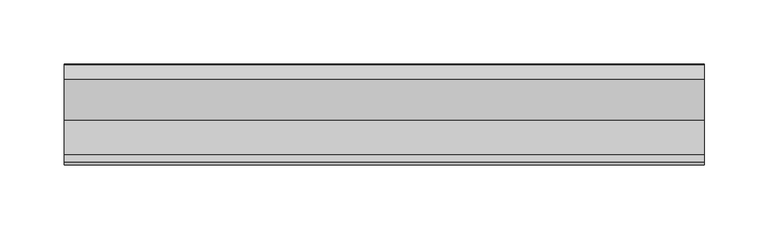
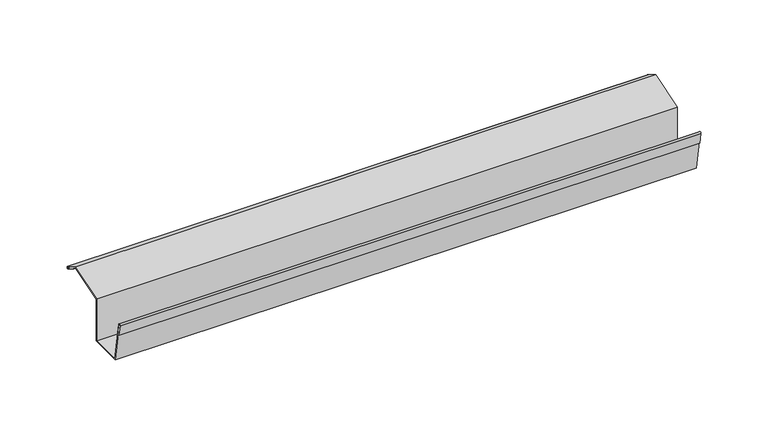
"""IFC4 building model written with IfcOpenShell, lengths in millimetres: proxy geometry."""

from ifc_helpers import new_model, si_unit, point, frame, frame_2d, origin, place, context, project, spatial, polyline, circle_curve, trimmed, segment, composite_curve, outline, extrude, source, transform, mapped, element, save


def generic_models_3b89c000(model_context):
    return source(origin(), model_context, "Body", "SweptSolid", [
        extrude(outline(composite_curve([segment(polyline([(-77.1946836, 35.8400258), (-71.0162032, 0.8001226), (-43.9357531, 0.8001226), (-43.9357531, 38.6709803), (-11.8596013, 48.3982435), (-0.4135747, 41.789877)]), True, "CONTINUOUS"), segment(trimmed(circle_curve(frame_2d((-0.8260714, 41.0754118)), 0.8249933), [point((-0.4135747, 41.789877))], [point((-1.2385681, 40.3609466))], False, "CARTESIAN"), True, "CONTINUOUS"), segment(polyline([(-1.2385681, 40.3609466), (-9.9008205, 45.3621004), (-9.5008205, 46.0549207), (-0.8405664, 41.0549207), (-11.8315273, 47.5707806), (-43.1357531, 38.077608), (-43.1357531, 0.0001226), (-71.6874829, 0.0001226), (-77.9825298, 35.7011072), (-76.3918631, 25.8151362), (-77.1816154, 25.6880639), (-78.9180971, 35.5361415)]), True, "CONTINUOUS"), segment(trimmed(circle_curve(frame_2d((-78.0563904, 35.6880836)), 0.875), [point((-78.9180971, 35.5361415))], [point((-77.1946836, 35.8400258))], False, "CARTESIAN"), True, "CONTINUOUS")], self_intersect=False)), frame((0.0, 0.0, 0.0), z_axis=(1.0, 0.0, 0.0), x_axis=(0.0, 1.0, 0.0)), (0.0, 0.0, 1.0), 500.0),
    ])


if __name__ == "__main__":
    model = new_model("IFC4")
    model_context = context("Model", 3, world=origin())
    ifc_project = project(units=[si_unit("LENGTHUNIT", "METRE", prefix="MILLI")], contexts=[model_context])
    site = spatial("IfcSite", under=ifc_project)
    building = spatial("IfcBuilding", under=site)
    placement = place(None, origin())
    generic_models_shape = generic_models_3b89c000(model_context)
    element("IfcBuildingElementProxy", 1, Name="Generic Models", at=placement, inside=building, context=model_context, shape_type="MappedRepresentation", body=[
        mapped(generic_models_shape, transform((0.0, 0.0, 0.0), x_axis=(1.0, 0.0, 0.0), y_axis=(0.0, 1.0, 0.0), z_axis=(0.0, 0.0, 1.0))),
    ])
    save(model, "model.ifc")
